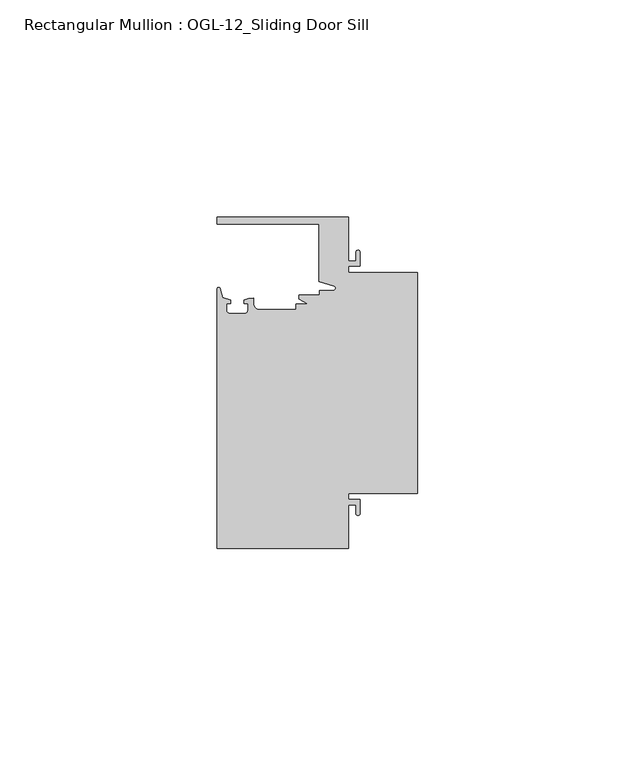
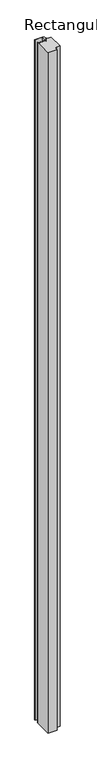
"""IFC4 building model written with IfcOpenShell, lengths in millimetres: member geometry, Rectangular Mullion : OGL-12_Sliding Door Sill."""

from ifc_helpers import new_model, si_unit, point, frame, frame_2d, origin, place, context, project, spatial, polyline, circle_curve, trimmed, segment, composite_curve, outline, extrude, source, transform, mapped, element, save


def rectangular_mullion_ogl_12_sliding_door_sill_d94395d3(model_context):
    return source(origin(), model_context, "Body", "SweptSolid", [
        extrude(outline(composite_curve([segment(polyline([(0.0, 25.4), (0.0, -25.4), (-15.934238, -25.4), (-15.934238, -26.8479425), (-13.2417195, -26.8479425), (-13.2417195, -30.0428503)]), True, "CONTINUOUS"), segment(trimmed(circle_curve(frame_2d((-13.6974747, -30.0428503)), 0.4557552), [point((-13.2417195, -30.0428503))], [point((-14.15323, -30.0428503))], False, "CARTESIAN"), True, "CONTINUOUS"), segment(polyline([(-14.15323, -30.0428503), (-14.15323, -28.0544425), (-15.934238, -28.0544425), (-15.934238, -38.1003208), (-46.0931306, -38.1003208), (-46.0931306, 21.6259141)]), True, "CONTINUOUS"), segment(trimmed(circle_curve(frame_2d((-45.7573546, 21.6259141)), 0.335776), [point((-46.0931306, 21.6259141))], [point((-45.434586, 21.7184665))], False, "CARTESIAN"), True, "CONTINUOUS"), segment(polyline([(-45.434586, 21.7184665), (-44.83413, 19.6244274), (-43.0244711, 19.0364336), (-43.0244711, 18.2246744), (-44.0028338, 18.2246744), (-44.0028338, 16.7746773)]), True, "CONTINUOUS"), segment(trimmed(circle_curve(frame_2d((-43.2028354, 16.7746773)), 0.7999984), [point((-44.0028338, 16.7746773))], [point((-43.2028354, 15.9746789))], True, "CARTESIAN"), True, "CONTINUOUS"), segment(polyline([(-43.2028354, 15.9746789), (-39.8028422, 15.9746789)]), True, "CONTINUOUS"), segment(trimmed(circle_curve(frame_2d((-39.8028422, 16.7746773)), 0.7999984), [point((-39.8028422, 15.9746789))], [point((-39.0028438, 16.7746773))], True, "CARTESIAN"), True, "CONTINUOUS"), segment(polyline([(-39.0028438, 16.7746773), (-39.0028438, 18.2246744), (-39.9812066, 18.2246744), (-39.9812066, 19.0676205), (-38.8813571, 19.4491353), (-37.7528423, 19.4819389), (-37.7528423, 18.2799969)]), True, "CONTINUOUS"), segment(trimmed(circle_curve(frame_2d((-36.3386331, 18.2778896)), 1.4142107), [point((-37.7528423, 18.2799969))], [point((-36.3386331, 16.8636789))], True, "CARTESIAN"), True, "CONTINUOUS"), segment(polyline([(-36.3386331, 16.8636789), (-27.9268052, 16.8636789), (-27.9268052, 18.1505375), (-25.1995125, 18.1505375), (-27.2970068, 19.265795), (-27.2970068, 20.2164975), (-22.6027094, 20.2164975), (-22.6027094, 21.2536528), (-19.3562398, 21.2536528)]), True, "CONTINUOUS"), segment(trimmed(circle_curve(frame_2d((-19.3562398, 21.789076)), 0.5354233), [point((-19.3562398, 21.2536528))], [point((-19.2086572, 22.3037579))], True, "CARTESIAN"), True, "CONTINUOUS"), segment(polyline([(-19.2086572, 22.3037579), (-22.6260049, 23.2836666), (-22.6260049, 36.5121792), (-46.0931306, 36.5121792), (-46.0931306, 38.0996792), (-15.934238, 38.0996792), (-15.934238, 28.0538009), (-14.15323, 28.0538009), (-14.15323, 30.0428503)]), True, "CONTINUOUS"), segment(trimmed(circle_curve(frame_2d((-13.6974747, 30.0428503)), 0.4557552), [point((-14.15323, 30.0428503))], [point((-13.2417195, 30.0428503))], False, "CARTESIAN"), True, "CONTINUOUS"), segment(polyline([(-13.2417195, 30.0428503), (-13.2417195, 26.8473009), (-15.934238, 26.8473009), (-15.934238, 25.4), (0.0, 25.4)]), True, "CONTINUOUS")], self_intersect=False)), frame((0.0, 0.0, -2362.2), z_axis=(0.0, 0.0, 1.0), x_axis=(1.0, 0.0, 0.0)), (0.0, 0.0, 1.0), 2362.2),
    ])


if __name__ == "__main__":
    model = new_model("IFC4")
    model_context = context("Model", 3, world=origin())
    ifc_project = project(units=[si_unit("LENGTHUNIT", "METRE", prefix="MILLI")], contexts=[model_context])
    site = spatial("IfcSite", under=ifc_project)
    building = spatial("IfcBuilding", under=site)
    placement = place(None, origin())
    rectangular_mullion_ogl_12_sliding_door_sill_shape = rectangular_mullion_ogl_12_sliding_door_sill_d94395d3(model_context)
    element("IfcMember", 1, ObjectType="Rectangular Mullion : OGL-12_Sliding Door Sill", at=placement, inside=building, context=model_context, shape_type="MappedRepresentation", body=[
        mapped(rectangular_mullion_ogl_12_sliding_door_sill_shape, transform((0.0, 0.0, 0.0), x_axis=(1.0, 0.0, 0.0), y_axis=(0.0, 1.0, 0.0), z_axis=(0.0, 0.0, 1.0))),
    ])
    save(model, "model.ifc")
